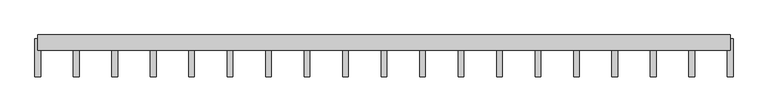
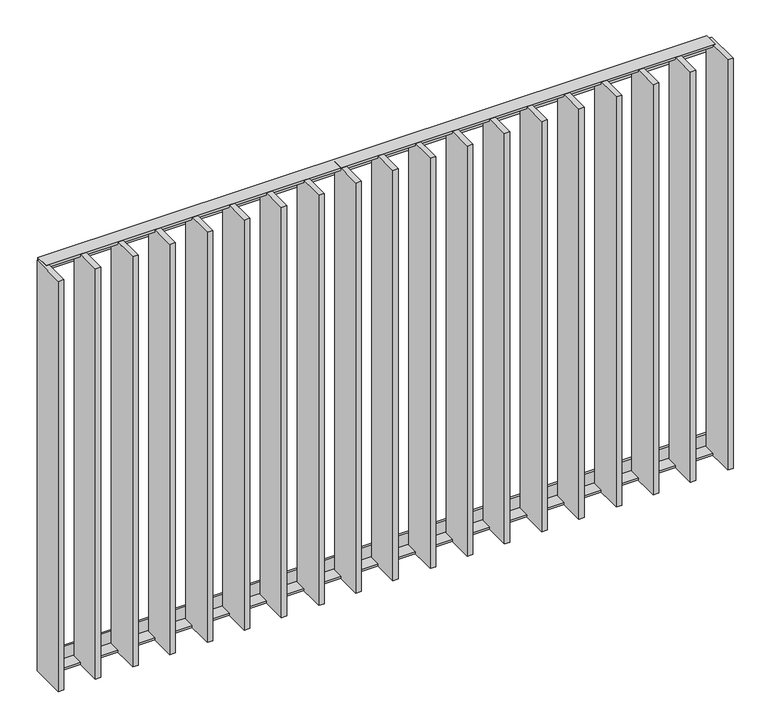
"""IFC4 building model written with IfcOpenShell, lengths in millimetres: railing geometry."""

from ifc_helpers import new_model, si_unit, frame, origin, place, context, project, spatial, polyline, outline, extrude, source, transform, mapped, element, save


def railing_e7f19893(model_context):
    return source(origin(), model_context, "Body", "SweptSolid", [
        extrude(outline(polyline([(-14.0, 6.0), (20.0, 6.0), (20.0, 0.0), (-20.0, 0.0), (-20.0, 40.0), (-14.0, 40.0), (-14.0, 6.0)])), frame((38301.5348772, -35784.8981444, 8000.0), z_axis=(1.0, -2.5608022662089432e-12, 0.0), x_axis=(-2.5608022662089432e-12, -1.0, 0.0)), (0.0, 0.0, 1.0), 1820.0),
        extrude(outline(polyline([(-14.0, -6.0), (-14.0, -40.0), (-20.0, -40.0), (-20.0, 0.0), (20.0, 0.0), (20.0, -6.0), (-14.0, -6.0)])), frame((38301.5348772, -35784.8981444, 6820.0), z_axis=(1.0, -2.5608022662089432e-12, 0.0), x_axis=(-2.5608022662089432e-12, -1.0, 0.0)), (0.0, 0.0, 1.0), 1820.0),
        extrude(outline(polyline([(38410.1459883, -35774.8981444), (38410.1459883, -35874.8981444), (38395.1459883, -35874.8981444), (38395.1459883, -35774.8981444), (38410.1459883, -35774.8981444)])), frame((0.0, 0.0, 6819.9), z_axis=(0.0, 0.0, 1.0), x_axis=(1.0, 0.0, 0.0)), (0.0, 0.0, 1.0), 1180.2),
        extrude(outline(polyline([(38511.2570994, -35774.8981444), (38511.2570994, -35874.8981444), (38496.2570994, -35874.8981444), (38496.2570994, -35774.8981444), (38511.2570994, -35774.8981444)])), frame((0.0, 0.0, 6819.9), z_axis=(0.0, 0.0, 1.0), x_axis=(1.0, 0.0, 0.0)), (0.0, 0.0, 1.0), 1180.2),
        extrude(outline(polyline([(38612.3682105, -35774.8981444), (38612.3682105, -35874.8981444), (38597.3682105, -35874.8981444), (38597.3682105, -35774.8981444), (38612.3682105, -35774.8981444)])), frame((0.0, 0.0, 6819.9), z_axis=(0.0, 0.0, 1.0), x_axis=(1.0, 0.0, 0.0)), (0.0, 0.0, 1.0), 1180.2),
        extrude(outline(polyline([(38713.4793216, -35774.8981444), (38713.4793216, -35874.8981444), (38698.4793216, -35874.8981444), (38698.4793216, -35774.8981444), (38713.4793216, -35774.8981444)])), frame((0.0, 0.0, 6819.9), z_axis=(0.0, 0.0, 1.0), x_axis=(1.0, 0.0, 0.0)), (0.0, 0.0, 1.0), 1180.2),
        extrude(outline(polyline([(38814.5904327, -35774.8981444), (38814.5904327, -35874.8981444), (38799.5904327, -35874.8981444), (38799.5904327, -35774.8981444), (38814.5904327, -35774.8981444)])), frame((0.0, 0.0, 6819.9), z_axis=(0.0, 0.0, 1.0), x_axis=(1.0, 0.0, 0.0)), (0.0, 0.0, 1.0), 1180.2),
        extrude(outline(polyline([(38915.7015438, -35774.8981444), (38915.7015438, -35874.8981444), (38900.7015438, -35874.8981444), (38900.7015438, -35774.8981444), (38915.7015438, -35774.8981444)])), frame((0.0, 0.0, 6819.9), z_axis=(0.0, 0.0, 1.0), x_axis=(1.0, 0.0, 0.0)), (0.0, 0.0, 1.0), 1180.2),
        extrude(outline(polyline([(39016.8126549, -35774.8981444), (39016.8126549, -35874.8981444), (39001.8126549, -35874.8981444), (39001.8126549, -35774.8981444), (39016.8126549, -35774.8981444)])), frame((0.0, 0.0, 6819.9), z_axis=(0.0, 0.0, 1.0), x_axis=(1.0, 0.0, 0.0)), (0.0, 0.0, 1.0), 1180.2),
        extrude(outline(polyline([(39117.9237661, -35774.8981444), (39117.9237661, -35874.8981444), (39102.9237661, -35874.8981444), (39102.9237661, -35774.8981444), (39117.9237661, -35774.8981444)])), frame((0.0, 0.0, 6819.9), z_axis=(0.0, 0.0, 1.0), x_axis=(1.0, 0.0, 0.0)), (0.0, 0.0, 1.0), 1180.2),
        extrude(outline(polyline([(39219.0348772, -35774.8981444), (39219.0348772, -35874.8981444), (39204.0348772, -35874.8981444), (39204.0348772, -35774.8981444), (39219.0348772, -35774.8981444)])), frame((0.0, 0.0, 6819.9), z_axis=(0.0, 0.0, 1.0), x_axis=(1.0, 0.0, 0.0)), (0.0, 0.0, 1.0), 1180.2),
        extrude(outline(polyline([(39320.1459883, -35774.8981444), (39320.1459883, -35874.8981444), (39305.1459883, -35874.8981444), (39305.1459883, -35774.8981444), (39320.1459883, -35774.8981444)])), frame((0.0, 0.0, 6819.9), z_axis=(0.0, 0.0, 1.0), x_axis=(1.0, 0.0, 0.0)), (0.0, 0.0, 1.0), 1180.2),
        extrude(outline(polyline([(39421.2570994, -35774.8981444), (39421.2570994, -35874.8981444), (39406.2570994, -35874.8981444), (39406.2570994, -35774.8981444), (39421.2570994, -35774.8981444)])), frame((0.0, 0.0, 6819.9), z_axis=(0.0, 0.0, 1.0), x_axis=(1.0, 0.0, 0.0)), (0.0, 0.0, 1.0), 1180.2),
        extrude(outline(polyline([(39522.3682105, -35774.8981444), (39522.3682105, -35874.8981444), (39507.3682105, -35874.8981444), (39507.3682105, -35774.8981444), (39522.3682105, -35774.8981444)])), frame((0.0, 0.0, 6819.9), z_axis=(0.0, 0.0, 1.0), x_axis=(1.0, 0.0, 0.0)), (0.0, 0.0, 1.0), 1180.2),
        extrude(outline(polyline([(39623.4793216, -35774.8981444), (39623.4793216, -35874.8981444), (39608.4793216, -35874.8981444), (39608.4793216, -35774.8981444), (39623.4793216, -35774.8981444)])), frame((0.0, 0.0, 6819.9), z_axis=(0.0, 0.0, 1.0), x_axis=(1.0, 0.0, 0.0)), (0.0, 0.0, 1.0), 1180.2),
        extrude(outline(polyline([(39724.5904327, -35774.8981444), (39724.5904327, -35874.8981444), (39709.5904327, -35874.8981444), (39709.5904327, -35774.8981444), (39724.5904327, -35774.8981444)])), frame((0.0, 0.0, 6819.9), z_axis=(0.0, 0.0, 1.0), x_axis=(1.0, 0.0, 0.0)), (0.0, 0.0, 1.0), 1180.2),
        extrude(outline(polyline([(39825.7015438, -35774.8981444), (39825.7015438, -35874.8981444), (39810.7015438, -35874.8981444), (39810.7015438, -35774.8981444), (39825.7015438, -35774.8981444)])), frame((0.0, 0.0, 6819.9), z_axis=(0.0, 0.0, 1.0), x_axis=(1.0, 0.0, 0.0)), (0.0, 0.0, 1.0), 1180.2),
        extrude(outline(polyline([(39926.8126549, -35774.8981444), (39926.8126549, -35874.8981444), (39911.8126549, -35874.8981444), (39911.8126549, -35774.8981444), (39926.8126549, -35774.8981444)])), frame((0.0, 0.0, 6819.9), z_axis=(0.0, 0.0, 1.0), x_axis=(1.0, 0.0, 0.0)), (0.0, 0.0, 1.0), 1180.2),
        extrude(outline(polyline([(40027.9237661, -35774.8981444), (40027.9237661, -35874.8981444), (40012.9237661, -35874.8981444), (40012.9237661, -35774.8981444), (40027.9237661, -35774.8981444)])), frame((0.0, 0.0, 6819.9), z_axis=(0.0, 0.0, 1.0), x_axis=(1.0, 0.0, 0.0)), (0.0, 0.0, 1.0), 1180.2),
        extrude(outline(polyline([(38309.0348772, -35774.8981444), (38309.0348772, -35874.8981444), (38294.0348772, -35874.8981444), (38294.0348772, -35774.8981444), (38309.0348772, -35774.8981444)])), frame((0.0, 0.0, 6819.9), z_axis=(0.0, 0.0, 1.0), x_axis=(1.0, 0.0, 0.0)), (0.0, 0.0, 1.0), 1180.2),
        extrude(outline(polyline([(40129.0348772, -35774.8981444), (40129.0348772, -35874.8981444), (40114.0348772, -35874.8981444), (40114.0348772, -35774.8981444), (40129.0348772, -35774.8981444)])), frame((0.0, 0.0, 6819.9), z_axis=(0.0, 0.0, 1.0), x_axis=(1.0, 0.0, 0.0)), (0.0, 0.0, 1.0), 1180.2),
    ])


if __name__ == "__main__":
    model = new_model("IFC4")
    model_context = context("Model", 3, world=origin())
    ifc_project = project(units=[si_unit("LENGTHUNIT", "METRE", prefix="MILLI")], contexts=[model_context])
    site = spatial("IfcSite", under=ifc_project)
    building = spatial("IfcBuilding", under=site)
    placement = place(None, origin())
    railing_shape = railing_e7f19893(model_context)
    element("IfcRailing", 1, at=placement, inside=building, context=model_context, shape_type="MappedRepresentation", body=[
        mapped(railing_shape, transform((0.0, 0.0, 0.0), x_axis=(1.0, 0.0, 0.0), y_axis=(0.0, 1.0, 0.0), z_axis=(0.0, 0.0, 1.0))),
    ])
    save(model, "model.ifc")
